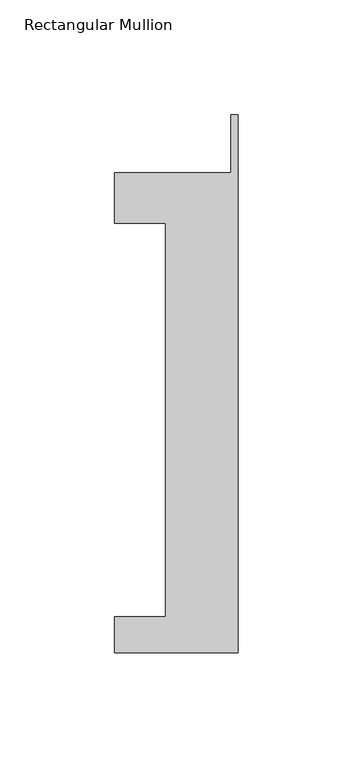
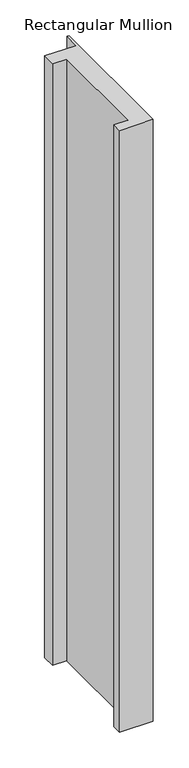
"""IFC4 building model written with IfcOpenShell, lengths in millimetres: member geometry, Rectangular Mullion."""

from ifc_helpers import new_model, si_unit, frame, origin, place, context, project, spatial, polyline, outline, extrude, source, transform, mapped, element, save


def rectangular_mullion_5149bc56(model_context):
    return source(origin(), model_context, "Body", "SweptSolid", [
        extrude(outline(polyline([(-53.975, -221.996), (-53.975, -206.121), (-31.75, -206.121), (-31.75, -34.671), (-53.975, -34.671), (-53.975, -12.7), (-3.175, -12.7), (-3.175, 12.7), (0.0, 12.7), (0.0, -221.996), (-53.975, -221.996)])), frame((0.0, 0.0, -1024.4666667), z_axis=(0.0, 0.0, 1.0), x_axis=(1.0, 0.0, 0.0)), (0.0, 0.0, 1.0), 1024.4666667),
    ])


if __name__ == "__main__":
    model = new_model("IFC4")
    model_context = context("Model", 3, world=origin())
    ifc_project = project(units=[si_unit("LENGTHUNIT", "METRE", prefix="MILLI")], contexts=[model_context])
    site = spatial("IfcSite", under=ifc_project)
    building = spatial("IfcBuilding", under=site)
    placement = place(None, origin())
    rectangular_mullion_shape = rectangular_mullion_5149bc56(model_context)
    element("IfcMember", 1, ObjectType="Rectangular Mullion", at=placement, inside=building, context=model_context, shape_type="MappedRepresentation", body=[
        mapped(rectangular_mullion_shape, transform((0.0, 0.0, 0.0), x_axis=(1.0, 0.0, 0.0), y_axis=(0.0, 1.0, 0.0), z_axis=(0.0, 0.0, 1.0))),
    ])
    save(model, "model.ifc")
